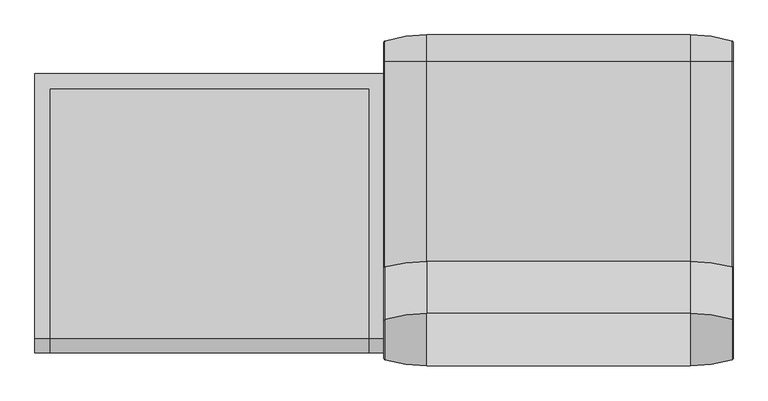
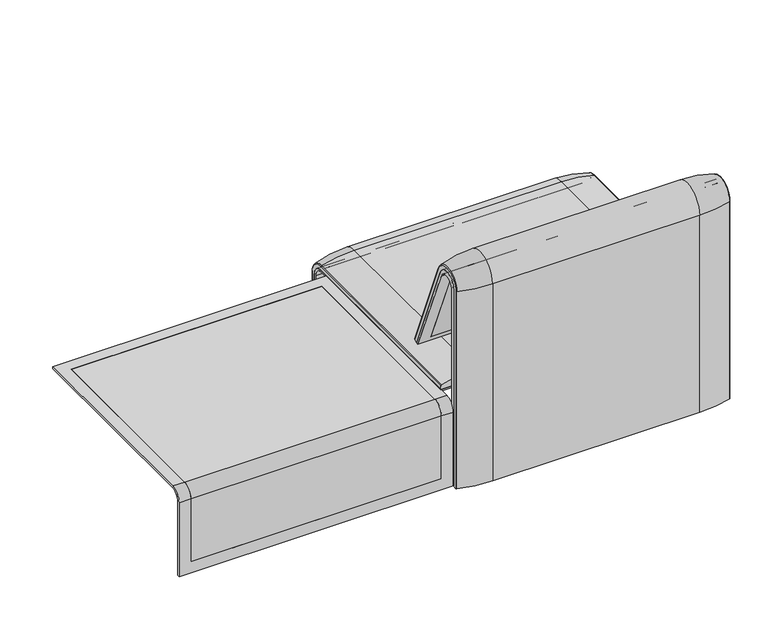
"""IFC4 building model written with IfcOpenShell, lengths in millimetres: furniture geometry."""

from ifc_helpers import new_model, si_unit, point, frame, frame_2d, origin, place, context, project, spatial, polyline, circle_curve, ellipse_curve, trimmed, segment, composite_curve, outline, extrude, source, transform, mapped, element, save
from ifc_brep_helpers import plane_surface, cylinder_surface, revolved_surface, advanced_brep


def furniture_e6ca8739(model_context):
    return source(origin(), model_context, "Body", "SolidModel", [
        advanced_brep(
        [(0.0, -295.0, 359.922434), (815.9812488, -295.0, 359.922434), (815.9812488, -295.0, 366.172434), (0.0, -295.0, 366.172434), (0.0, 357.5, 333.0583003), (34.9, 357.5, 333.0583003), (34.9, 357.5, 135.3766997), (781.0812488, 357.5, 135.3766997), (781.0812488, 357.5, 333.0583003), (815.9812488, 357.5, 333.0583003), (815.9812488, 357.5, 100.5089435), (0.0, 357.5, 100.5089435), (0.0, 323.7517936, 359.922434), (34.9, 323.7517936, 359.922434), (34.9, -260.0, 359.922434), (781.0812488, -260.0, 359.922434), (781.0812488, 323.7517936, 359.922434), (815.9812488, 323.7517936, 359.922434), (781.0812488, 351.0, 135.3766997), (781.0812488, 351.0, 332.6742277), (781.0812488, -260.0, 366.172434), (781.0812488, 324.3858663, 366.172434), (34.9, -260.0, 366.172434), (0.0, 324.3858663, 366.172434), (0.0, 351.0, 100.5089435), (0.0, 351.0, 332.6742277), (815.9812488, 351.0, 332.6742277), (815.9812488, 351.0, 100.5089435), (815.9812488, 324.3858663, 366.172434), (34.9, 324.3858663, 366.172434), (34.9, 351.0, 135.3766997), (34.9, 351.0, 332.6742277)],
        [
            (0, 1),
            (1, 2),
            (2, 3),
            (3, 0),
            (4, 5),
            (5, 6),
            (6, 7),
            (7, 8),
            (8, 9),
            (9, 10),
            (10, 11),
            (11, 4),
            (12, 13),
            (13, 14),
            (14, 15),
            (15, 16),
            (16, 17),
            (17, 1),
            (0, 12),
            (18, 19),
            (19, 16, circle_curve(frame((781.0812488, 323.7517936, 332.6742277), z_axis=(1.0, 0.0, 0.0), x_axis=(0.0, 1.0, 0.0)), 27.2482064)),
            (15, 20),
            (20, 21),
            (21, 8, circle_curve(frame((781.0812488, 324.3858663, 333.0583003), z_axis=(-1.0, 0.0, 0.0), x_axis=(0.0, 1.0, 0.0)), 33.1141337)),
            (7, 18),
            (22, 20),
            (14, 22),
            (3, 23),
            (23, 4, circle_curve(frame((0.0, 324.3858663, 333.0583003), z_axis=(-1.0, 0.0, 0.0), x_axis=(0.0, 1.0, 0.0)), 33.1141337)),
            (11, 24),
            (24, 25),
            (25, 12, circle_curve(frame((0.0, 323.7517936, 332.6742277), z_axis=(1.0, 0.0, 0.0), x_axis=(0.0, 1.0, 0.0)), 27.2482064)),
            (17, 26, circle_curve(frame((815.9812488, 323.7517936, 332.6742277), z_axis=(-1.0, 0.0, 0.0), x_axis=(0.0, 1.0, 0.0)), 27.2482064)),
            (26, 27),
            (27, 10),
            (9, 28, circle_curve(frame((815.9812488, 324.3858663, 333.0583003), z_axis=(1.0, 0.0, 0.0), x_axis=(0.0, 1.0, 0.0)), 33.1141337)),
            (28, 2),
            (28, 21),
            (22, 29),
            (29, 23),
            (29, 5, circle_curve(frame((34.9, 324.3858663, 333.0583003), z_axis=(-1.0, 0.0, 0.0), x_axis=(0.0, 1.0, 0.0)), 33.1141337)),
            (27, 24),
            (26, 19),
            (18, 30),
            (30, 31),
            (31, 25),
            (31, 13, circle_curve(frame((34.9, 323.7517936, 332.6742277), z_axis=(1.0, 0.0, 0.0), x_axis=(0.0, 1.0, 0.0)), 27.2482064)),
            (30, 6),
        ],
        [
            plane_surface(frame((0.0, -295.0, 366.172434), z_axis=(0.0, -1.0, 0.0), x_axis=(1.0, 0.0, 0.0))),
            plane_surface(frame((0.0, 357.5, 100.5089435), z_axis=(0.0, 1.0, 0.0), x_axis=(1.0, 0.0, 0.0))),
            plane_surface(frame((0.0, -295.0, 359.922434), z_axis=(0.0, 0.0, -1.0), x_axis=(1.0, 0.0, 0.0))),
            plane_surface(frame((781.0812488, 296.9265415, 359.922434), z_axis=(-1.0, 0.0, 0.0), x_axis=(0.0, -1.0, 0.0))),
            plane_surface(frame((34.9, -260.0, 366.172434), z_axis=(0.0, 1.0, 0.0), x_axis=(1.0, 0.0, 0.0))),
            plane_surface(frame((0.0, 296.9265415, 359.922434), z_axis=(-1.0, 0.0, 0.0), x_axis=(0.0, 1.0, 0.0))),
            plane_surface(frame((815.9812488, 296.9265415, 359.922434), z_axis=(1.0, 0.0, 0.0), x_axis=(0.0, -1.0, 0.0))),
            plane_surface(frame((0.0, 324.3858663, 366.172434), z_axis=(0.0, 0.0, 1.0), x_axis=(1.0, 0.0, 0.0))),
            cylinder_surface(frame((815.9812488, 324.3858663, 333.0583003), z_axis=(-1.0, 0.0, 0.0), x_axis=(0.0, 1.0, 0.0)), 33.1141337),
            plane_surface(frame((0.0, 351.0, 100.5089435), z_axis=(0.0, 0.0, -1.0), x_axis=(1.0, 0.0, 0.0))),
            plane_surface(frame((0.0, 351.0, 332.6742277), z_axis=(0.0, -1.0, 0.0), x_axis=(1.0, 0.0, 0.0))),
            revolved_surface(polyline([(34.89999999999998, 351.0, 332.6742277), (0.0, 351.0, 332.6742277)]), (815.9812488, 323.7517936, 332.6742277), (1.0, 0.0, 0.0)),
            revolved_surface(polyline([(815.9812488, 351.0, 332.6742277), (781.0812488, 351.0, 332.6742277)]), (815.9812488, 323.7517936, 332.6742277), (1.0, 0.0, 0.0)),
            plane_surface(frame((34.9, 296.9265415, 359.922434), z_axis=(1.0, 0.0, 0.0), x_axis=(0.0, 1.0, 0.0))),
            plane_surface(frame((34.9, 351.0, 135.3766997), z_axis=(0.0, 0.0, 1.0), x_axis=(1.0, 0.0, 0.0))),
        ],
        [
            (0, [[1, 2, 3, 4]]),
            (1, [[5, 6, 7, 8, 9, 10, 11, 12]]),
            (2, [[13, 14, 15, 16, 17, 18, -1, 19]]),
            (3, [[20, 21, -16, 22, 23, 24, -8, 25]]),
            (4, [[26, -22, -15, 27]]),
            (5, [[-4, 28, 29, -12, 30, 31, 32, -19]]),
            (6, [[-18, 33, 34, 35, -10, 36, 37, -2]]),
            (7, [[-3, -37, 38, -23, -26, 39, 40, -28]]),
            (8, [[-40, 41, -5, -29]]),
            (8, [[-9, -24, -38, -36]]),
            (9, [[-11, -35, 42, -30]]),
            (10, [[-42, -34, 43, -20, 44, 45, 46, -31]]),
            (11, [[-46, 47, -13, -32]]),
            (12, [[-17, -21, -43, -33]]),
            (13, [[-14, -47, -45, 48, -6, -41, -39, -27]]),
            (14, [[-44, -25, -7, -48]]),
        ],
    ),
        extrude(outline(composite_curve([segment(polyline([(-260.0, 359.922434), (-260.0, 366.172434), (324.3858663, 366.172434)]), True, "CONTINUOUS"), segment(trimmed(circle_curve(frame_2d((324.3858663, 333.0583003)), 33.1141337), [point((324.3858663, 366.172434))], [point((357.5, 333.0583003))], False, "CARTESIAN"), True, "CONTINUOUS"), segment(polyline([(357.5, 333.0583003), (357.5, 135.3766997), (351.0, 135.3766997), (351.0, 332.6742277)]), True, "CONTINUOUS"), segment(trimmed(circle_curve(frame_2d((323.7517936, 332.6742277)), 27.2482064), [point((351.0, 332.6742277))], [point((323.7517936, 359.922434))], True, "CARTESIAN"), True, "CONTINUOUS"), segment(polyline([(323.7517936, 359.922434), (-260.0, 359.922434)]), True, "CONTINUOUS")], self_intersect=False)), frame((34.9, 0.0, 0.0), z_axis=(1.0, 0.0, 0.0), x_axis=(0.0, 1.0, 0.0)), (0.0, 0.0, 1.0), 746.1812488),
        advanced_brep(
        [(0.0, 368.7793679, 100.5089435), (2.1386285, 371.6530483, 100.5089435), (100.0, 386.0043559, 100.5089435), (715.9812488, 386.0043559, 100.5089435), (813.8426203, 371.6530483, 100.5089435), (815.9812488, 368.7793679, 100.5089435), (815.9812488, 357.5, 100.5089435), (0.0, 357.5, 100.5089435), (0.0, -295.0, 377.4518019), (0.0, -295.0, 366.172434), (815.9812488, -295.0, 366.172434), (815.9812488, -295.0, 377.4518019), (813.8426203, -295.0, 380.3254823), (715.9812488, -295.0, 394.67679), (100.0, -295.0, 394.67679), (2.1386285, -295.0, 380.3254823), (0.0, 357.5, 333.0583003), (0.0, 324.3858663, 366.172434), (0.0, 324.3858663, 377.4518019), (0.0, 368.7793679, 333.0583003), (815.9812488, 357.5, 333.0583003), (100.0, 386.0043559, 333.0583003), (715.9812488, 386.0043559, 333.0583003), (2.1386285, 371.6530483, 333.0583003), (815.9812488, 324.3858663, 366.172434), (100.0, 324.3858663, 394.67679), (715.9812488, 324.3858663, 394.67679), (2.1386285, 324.3858663, 380.3254823), (815.9812488, 368.7793679, 333.0583003), (815.9812488, 324.3858663, 377.4518019), (813.8426203, 371.6530483, 333.0583003), (813.8426203, 324.3858663, 380.3254823)],
        [
            (0, 1, circle_curve(frame((3.0, 368.7793679, 100.5089435), z_axis=(0.0, 0.0, -1.0), x_axis=(1.0, 0.0, 0.0)), 3.0)),
            (1, 2, circle_curve(frame((100.0, 45.1710226, 100.5089435), z_axis=(0.0, 0.0, -1.0), x_axis=(0.0, -1.0, 0.0)), 340.8333333)),
            (2, 3),
            (3, 4, circle_curve(frame((715.9812488, 45.1710226, 100.5089435), z_axis=(0.0, 0.0, -1.0), x_axis=(0.0, -1.0, 0.0)), 340.8333333)),
            (4, 5, circle_curve(frame((812.9812488, 368.7793679, 100.5089435), z_axis=(0.0, 0.0, -1.0), x_axis=(-1.0, 0.0, 0.0)), 3.0)),
            (5, 6),
            (6, 7),
            (7, 0),
            (8, 9),
            (9, 10),
            (10, 11),
            (11, 12, circle_curve(frame((812.9812488, -295.0, 377.4518019), z_axis=(0.0, -1.0, 0.0), x_axis=(-1.0, 0.0, 0.0)), 3.0)),
            (12, 13, circle_curve(frame((715.9812488, -295.0, 53.8434566), z_axis=(0.0, -1.0, 0.0), x_axis=(0.0, 0.0, -1.0)), 340.8333333)),
            (13, 14),
            (14, 15, circle_curve(frame((100.0, -295.0, 53.8434566), z_axis=(0.0, -1.0, 0.0), x_axis=(0.0, 0.0, -1.0)), 340.8333333)),
            (15, 8, circle_curve(frame((3.0, -295.0, 377.4518019), z_axis=(0.0, -1.0, 0.0), x_axis=(1.0, 0.0, 0.0)), 3.0)),
            (7, 16),
            (16, 17, circle_curve(frame((0.0, 324.3858663, 333.0583003), z_axis=(1.0, 0.0, 0.0), x_axis=(0.0, 1.0, 0.0)), 33.1141337)),
            (17, 9),
            (8, 18),
            (18, 19, circle_curve(frame((0.0, 324.3858663, 333.0583003), z_axis=(-1.0, 0.0, 0.0), x_axis=(0.0, 1.0, 0.0)), 44.3935016)),
            (19, 0),
            (6, 20),
            (20, 16),
            (2, 21),
            (21, 22),
            (22, 3),
            (1, 23),
            (23, 21, circle_curve(frame((100.0, 45.1710226, 333.0583003), z_axis=(0.0, 0.0, -1.0), x_axis=(0.0, -1.0, 0.0)), 340.8333333)),
            (19, 23, circle_curve(frame((3.0, 368.7793679, 333.0583003), z_axis=(0.0, 0.0, -1.0), x_axis=(1.0, 0.0, 0.0)), 3.0)),
            (24, 17),
            (20, 24, circle_curve(frame((815.9812488, 324.3858663, 333.0583003), z_axis=(1.0, 0.0, 0.0), x_axis=(0.0, 1.0, 0.0)), 33.1141337)),
            (25, 26),
            (26, 22, circle_curve(frame((715.9812488, 324.3858663, 333.0583003), z_axis=(-1.0, 0.0, 0.0), x_axis=(0.0, 1.0, 0.0)), 61.6184897)),
            (21, 25, circle_curve(frame((100.0, 324.3858663, 333.0583003), z_axis=(1.0, 0.0, 0.0), x_axis=(0.0, 1.0, 0.0)), 61.6184897)),
            (27, 25, circle_curve(frame((100.0, 324.3858663, 53.8434566), z_axis=(0.0, 1.0, 0.0), x_axis=(0.0, 0.0, -1.0)), 340.8333333)),
            (23, 27, circle_curve(frame((2.1386285, 324.3858663, 333.0583003), z_axis=(1.0, 0.0, 0.0), x_axis=(0.0, 1.0, 0.0)), 47.267182)),
            (18, 27, circle_curve(frame((3.0, 324.3858663, 377.4518019), z_axis=(0.0, 1.0, 0.0), x_axis=(1.0, 0.0, 0.0)), 3.0)),
            (24, 10),
            (25, 14),
            (13, 26),
            (27, 15),
            (5, 28),
            (28, 29, circle_curve(frame((815.9812488, 324.3858663, 333.0583003), z_axis=(1.0, 0.0, 0.0), x_axis=(0.0, 1.0, 0.0)), 44.3935016)),
            (29, 11),
            (4, 30),
            (30, 28, circle_curve(frame((812.9812488, 368.7793679, 333.0583003), z_axis=(0.0, 0.0, -1.0), x_axis=(-1.0, 0.0, 0.0)), 3.0)),
            (22, 30, circle_curve(frame((715.9812488, 45.1710226, 333.0583003), z_axis=(0.0, 0.0, -1.0), x_axis=(0.0, -1.0, 0.0)), 340.8333333)),
            (31, 29, circle_curve(frame((812.9812488, 324.3858663, 377.4518019), z_axis=(0.0, 1.0, 0.0), x_axis=(-1.0, 0.0, 0.0)), 3.0)),
            (30, 31, circle_curve(frame((813.8426203, 324.3858663, 333.0583003), z_axis=(1.0, 0.0, 0.0), x_axis=(0.0, 1.0, 0.0)), 47.267182)),
            (26, 31, circle_curve(frame((715.9812488, 324.3858663, 53.8434566), z_axis=(0.0, 1.0, 0.0), x_axis=(0.0, 0.0, -1.0)), 340.8333333)),
            (31, 12),
        ],
        [
            plane_surface(frame((0.0, 357.5, 100.5089435), z_axis=(0.0, 0.0, -1.0), x_axis=(1.0, 0.0, 0.0))),
            plane_surface(frame((0.0, -295.0, 366.172434), z_axis=(0.0, -1.0, 0.0), x_axis=(1.0, 0.0, 0.0))),
            plane_surface(frame((0.0, 368.7793679, 100.5089435), z_axis=(-1.0, 0.0, 0.0), x_axis=(0.0, 0.0, 1.0))),
            plane_surface(frame((0.0, 357.5, 100.5089435), z_axis=(0.0, -1.0, 0.0), x_axis=(0.0, 0.0, 1.0))),
            plane_surface(frame((715.9812488, 386.0043559, 100.5089435), z_axis=(0.0, 1.0, 0.0), x_axis=(0.0, 0.0, 1.0))),
            cylinder_surface(frame((100.0, 45.1710226, 100.5089435), z_axis=(0.0, 0.0, -1.0), x_axis=(0.0, -1.0, 0.0)), 340.8333333),
            cylinder_surface(frame((3.0, 368.7793679, 100.5089435), z_axis=(0.0, 0.0, -1.0), x_axis=(1.0, 0.0, 0.0)), 3.0),
            revolved_surface(polyline([(0.0, 357.5, 333.0583003), (815.9812488, 357.5, 333.0583003)]), (0.0, 324.3858663, 333.0583003), (-1.0, 0.0, 0.0)),
            cylinder_surface(frame((0.0, 324.3858663, 333.0583003), z_axis=(-1.0, 0.0, 0.0), x_axis=(0.0, 1.0, 0.0)), 61.6184897),
            revolved_surface(trimmed(ellipse_curve(frame((100.0, 45.1710226, 333.0583003), z_axis=(0.0, 0.0, 1.0), x_axis=(0.0, -1.0, 0.0)), 340.8333333, 340.8333333), [point((100.0, 386.0043559, 333.0583003))], [point((2.1386285, 371.6530483, 333.0583003))], True, "CARTESIAN"), (0.0, 324.3858663, 333.0583003), (-1.0, 0.0, 0.0)),
            revolved_surface(trimmed(ellipse_curve(frame((3.0, 368.7793679, 333.0583003), z_axis=(0.0, 0.0, 1.0), x_axis=(1.0, 0.0, 0.0)), 3.0, 3.0), [point((2.1386285, 371.6530483, 333.0583003))], [point((0.0, 368.7793679, 333.0583003))], True, "CARTESIAN"), (0.0, 324.3858663, 333.0583003), (-1.0, 0.0, 0.0)),
            plane_surface(frame((0.0, 324.3858663, 366.172434), z_axis=(0.0, 0.0, -1.0), x_axis=(0.0, -1.0, 0.0))),
            plane_surface(frame((715.9812488, 324.3858663, 394.67679), z_axis=(0.0, 0.0, 1.0), x_axis=(0.0, -1.0, 0.0))),
            cylinder_surface(frame((100.0, 324.3858663, 53.8434566), z_axis=(0.0, 1.0, 0.0), x_axis=(0.0, 0.0, -1.0)), 340.8333333),
            cylinder_surface(frame((3.0, 324.3858663, 377.4518019), z_axis=(0.0, 1.0, 0.0), x_axis=(1.0, 0.0, 0.0)), 3.0),
            plane_surface(frame((815.9812488, 357.5, 100.5089435), z_axis=(1.0, 0.0, 0.0), x_axis=(0.0, 0.0, 1.0))),
            cylinder_surface(frame((812.9812488, 368.7793679, 100.5089435), z_axis=(0.0, 0.0, -1.0), x_axis=(-1.0, 0.0, 0.0)), 3.0),
            cylinder_surface(frame((715.9812488, 45.1710226, 100.5089435), z_axis=(0.0, 0.0, -1.0), x_axis=(0.0, -1.0, 0.0)), 340.8333333),
            revolved_surface(trimmed(ellipse_curve(frame((812.9812488, 368.7793679, 333.0583003), z_axis=(0.0, 0.0, 1.0), x_axis=(-1.0, 0.0, 0.0)), 3.0, 3.0), [point((815.9812488, 368.7793679, 333.0583003))], [point((813.8426203, 371.6530483, 333.0583003))], True, "CARTESIAN"), (0.0, 324.3858663, 333.0583003), (-1.0, 0.0, 0.0)),
            revolved_surface(trimmed(ellipse_curve(frame((715.9812488, 45.1710226, 333.0583003), z_axis=(0.0, 0.0, 1.0), x_axis=(0.0, -1.0, 0.0)), 340.8333333, 340.8333333), [point((813.8426203, 371.6530483, 333.0583003))], [point((715.9812488, 386.0043559, 333.0583003))], True, "CARTESIAN"), (0.0, 324.3858663, 333.0583003), (-1.0, 0.0, 0.0)),
            cylinder_surface(frame((812.9812488, 324.3858663, 377.4518019), z_axis=(0.0, 1.0, 0.0), x_axis=(-1.0, 0.0, 0.0)), 3.0),
            cylinder_surface(frame((715.9812488, 324.3858663, 53.8434566), z_axis=(0.0, 1.0, 0.0), x_axis=(0.0, 0.0, -1.0)), 340.8333333),
        ],
        [
            (0, [[1, 2, 3, 4, 5, 6, 7, 8]]),
            (1, [[9, 10, 11, 12, 13, 14, 15, 16]]),
            (2, [[17, 18, 19, -9, 20, 21, 22, -8]]),
            (3, [[23, 24, -17, -7]]),
            (4, [[25, 26, 27, -3]]),
            (5, [[28, 29, -25, -2]]),
            (6, [[-22, 30, -28, -1]]),
            (7, [[31, -18, -24, 32]]),
            (8, [[33, 34, -26, 35]]),
            (9, [[36, -35, -29, 37]]),
            (10, [[38, -37, -30, -21]]),
            (11, [[39, -10, -19, -31]]),
            (12, [[40, -14, 41, -33]]),
            (13, [[42, -15, -40, -36]]),
            (14, [[-20, -16, -42, -38]]),
            (15, [[43, 44, 45, -11, -39, -32, -23, -6]]),
            (16, [[46, 47, -43, -5]]),
            (17, [[-27, 48, -46, -4]]),
            (18, [[49, -44, -47, 50]]),
            (19, [[51, -50, -48, -34]]),
            (20, [[52, -12, -45, -49]]),
            (21, [[-41, -13, -52, -51]]),
        ],
    ),
        advanced_brep(
        [(781.0812488, -176.0980387, 452.25948), (34.9, -176.0980387, 452.25948), (34.9, -181.0136548, 450.2250668), (781.0812488, -181.0136548, 450.2250668), (815.997793, -351.0000061, 101.8476716), (0.0165441, -351.0000061, 101.8476716), (0.0165441, -351.0000061, 712.9272623), (34.9, -351.0000061, 712.9272623), (34.9, -351.0000061, 135.3766997), (781.0812488, -351.0000061, 135.3766997), (781.0812488, -351.0000061, 712.9272623), (815.997793, -351.0000061, 712.9272623), (815.997793, -296.2720241, 723.9759107), (815.997793, -175.0204081, 435.9866665), (815.997793, -170.1966807, 437.98305), (815.997793, -292.4403877, 733.7122262), (815.997793, -359.7858817, 720.3417731), (815.997793, -359.7858817, 101.8476716), (0.0165441, -359.7858817, 101.8476716), (0.0165441, -359.7858817, 720.3417731), (0.0165441, -292.4403877, 733.7122262), (0.0165441, -170.1966807, 437.98305), (0.0165441, -175.0204081, 435.9866665), (0.0165441, -296.2458652, 723.9869215), (34.9, -292.4403877, 733.7122262), (781.0812488, -292.4403877, 733.7122262), (781.0812488, -296.2458652, 723.9869215), (34.9, -296.2458652, 723.9869215), (781.0812488, -359.7858817, 720.3417731), (781.0812488, -359.7858817, 135.3766997), (34.9, -359.7858817, 135.3766997), (34.9, -359.7858817, 720.3417731)],
        [
            (0, 1),
            (1, 2),
            (2, 3),
            (3, 0),
            (4, 5),
            (5, 6),
            (6, 7),
            (7, 8),
            (8, 9),
            (9, 10),
            (10, 11),
            (11, 4),
            (11, 12, circle_curve(frame((815.997793, -322.520748, 712.9272623), z_axis=(-1.0, 0.0, 0.0), x_axis=(0.0, 1.0, 0.0)), 28.479258)),
            (12, 13),
            (13, 14),
            (14, 15),
            (15, 16, circle_curve(frame((815.997793, -324.7858817, 720.3417731), z_axis=(1.0, 0.0, 0.0), x_axis=(0.0, 1.0, 0.0)), 35.0)),
            (16, 17),
            (17, 4),
            (5, 18),
            (18, 19),
            (19, 20, circle_curve(frame((0.0165441, -324.7858817, 720.3417731), z_axis=(-1.0, 0.0, 0.0), x_axis=(0.0, 1.0, 0.0)), 35.0)),
            (20, 21),
            (21, 22),
            (22, 23),
            (23, 6, circle_curve(frame((0.0165441, -322.520748, 712.9272623), z_axis=(1.0, 0.0, 0.0), x_axis=(0.0, 1.0, 0.0)), 28.479258)),
            (14, 21),
            (20, 24),
            (24, 1),
            (0, 25),
            (25, 15),
            (13, 22),
            (12, 26),
            (26, 3),
            (2, 27),
            (27, 23),
            (17, 18),
            (16, 28),
            (28, 29),
            (29, 30),
            (30, 31),
            (31, 19),
            (31, 24, circle_curve(frame((34.9, -324.7858817, 720.3417731), z_axis=(-1.0, 0.0, 0.0), x_axis=(0.0, 1.0, 0.0)), 35.0)),
            (25, 28, circle_curve(frame((781.0812488, -324.7858817, 720.3417731), z_axis=(1.0, 0.0, 0.0), x_axis=(0.0, 1.0, 0.0)), 35.0)),
            (27, 7, circle_curve(frame((34.9, -322.520748, 712.9272623), z_axis=(1.0, 0.0, 0.0), x_axis=(0.0, 1.0, 0.0)), 28.479258)),
            (10, 26, circle_curve(frame((781.0812488, -322.520748, 712.9272623), z_axis=(-1.0, 0.0, 0.0), x_axis=(0.0, 1.0, 0.0)), 28.479258)),
            (9, 29),
            (30, 8),
        ],
        [
            plane_surface(frame((781.0812488, -166.9120641, 456.0612553), z_axis=(0.0, -0.38241039441982605, 0.9239925812687422), x_axis=(-1.0, 0.0, 0.0))),
            plane_surface(frame((815.997793, -351.0000061, 712.9272623), z_axis=(0.0, 1.0, 0.0), x_axis=(-1.0, 0.0, 0.0))),
            plane_surface(frame((815.997793, -359.7858817, 101.8476716), z_axis=(1.0, 0.0, 0.0), x_axis=(0.0, -1.0, 0.0))),
            plane_surface(frame((0.0165441, -359.7858817, 101.8476716), z_axis=(-1.0, 0.0, 0.0), x_axis=(0.0, 1.0, 0.0))),
            plane_surface(frame((815.997793, -292.4403877, 733.7122262), z_axis=(0.0, 0.9241569717933176, 0.3820129467515535), x_axis=(-1.0, 0.0, 0.0))),
            plane_surface(frame((815.997793, -170.1966807, 437.98305), z_axis=(0.0, 0.38241039441983893, -0.9239925812687368), x_axis=(-1.0, 0.0, 0.0))),
            plane_surface(frame((815.997793, -175.0204081, 435.9866665), z_axis=(0.0, -0.921678643444566, -0.3879542218073993), x_axis=(-1.0, 0.0, 0.0))),
            plane_surface(frame((815.997793, -351.0000061, 101.8476716), z_axis=(0.0, 0.0, -1.0), x_axis=(-1.0, 0.0, 0.0))),
            plane_surface(frame((815.997793, -359.7858817, 101.8476716), z_axis=(0.0, -1.0, 0.0), x_axis=(-1.0, 0.0, 0.0))),
            cylinder_surface(frame((0.0165441, -324.7858817, 720.3417731), z_axis=(1.0, 0.0, 0.0), x_axis=(0.0, 1.0, 0.0)), 35.0),
            revolved_surface(polyline([(0.0165441, -294.04149, 712.9272623), (34.9, -294.04149, 712.9272623)]), (0.0165441, -322.520748, 712.9272623), (-1.0, 0.0, 0.0)),
            revolved_surface(polyline([(781.0812488, -294.04149, 712.9272623), (815.997793, -294.04149, 712.9272623)]), (0.0165441, -322.520748, 712.9272623), (-1.0, 0.0, 0.0)),
            plane_surface(frame((781.0812488, -359.7858817, 135.3766997), z_axis=(-1.0, 0.0, 0.0), x_axis=(0.0, -1.0, 0.0))),
            plane_surface(frame((34.9, -359.7858817, 135.3766997), z_axis=(1.0, 0.0, 0.0), x_axis=(0.0, 1.0, 0.0))),
            plane_surface(frame((781.0812488, -344.7858817, 135.3766997), z_axis=(0.0, 0.0, 1.0), x_axis=(-1.0, 0.0, 0.0))),
        ],
        [
            (0, [[1, 2, 3, 4]]),
            (1, [[5, 6, 7, 8, 9, 10, 11, 12]]),
            (2, [[-12, 13, 14, 15, 16, 17, 18, 19]]),
            (3, [[20, 21, 22, 23, 24, 25, 26, -6]]),
            (4, [[27, -23, 28, 29, -1, 30, 31, -16]]),
            (5, [[32, -24, -27, -15]]),
            (6, [[33, 34, -3, 35, 36, -25, -32, -14]]),
            (7, [[37, -20, -5, -19]]),
            (8, [[38, 39, 40, 41, 42, -21, -37, -18]]),
            (9, [[-42, 43, -28, -22]]),
            (9, [[-31, 44, -38, -17]]),
            (10, [[-36, 45, -7, -26]]),
            (11, [[-11, 46, -33, -13]]),
            (12, [[-34, -46, -10, 47, -39, -44, -30, -4]]),
            (13, [[-8, -45, -35, -2, -29, -43, -41, 48]]),
            (14, [[-9, -48, -40, -47]]),
        ],
    ),
        advanced_brep(
        [(34.9, -351.0000061, 135.3766997), (34.9, -359.7858817, 135.3766997), (34.9, -359.7858817, 720.3417731), (34.9, -292.4403877, 733.7122262), (34.9, -176.0980387, 452.25948), (34.9, -181.0136548, 450.2250668), (34.9, -296.2458652, 723.9869215), (34.9, -351.0000061, 712.9272623), (781.0812488, -176.0980387, 452.25948), (781.0812488, -292.4403877, 733.7122262), (781.0812488, -181.0136548, 450.2250668), (781.0812488, -296.2458652, 723.9869215), (781.0812488, -351.0000061, 135.3766997), (781.0812488, -351.0000061, 712.9272623), (781.0812488, -359.7858817, 720.3417731), (781.0812488, -359.7858817, 135.3766997)],
        [
            (0, 1),
            (1, 2),
            (2, 3, circle_curve(frame((34.9, -324.7858817, 720.3417731), z_axis=(-1.0, 0.0, 0.0), x_axis=(0.0, 1.0, 0.0)), 35.0)),
            (3, 4),
            (4, 5),
            (5, 6),
            (6, 7, circle_curve(frame((34.9, -322.520748, 712.9272623), z_axis=(1.0, 0.0, 0.0), x_axis=(0.0, 1.0, 0.0)), 28.479258)),
            (7, 0),
            (8, 4),
            (3, 9),
            (9, 8),
            (10, 5),
            (8, 10),
            (11, 6),
            (10, 11),
            (12, 0),
            (7, 13),
            (13, 12),
            (13, 11, circle_curve(frame((781.0812488, -322.520748, 712.9272623), z_axis=(-1.0, 0.0, 0.0), x_axis=(0.0, 1.0, 0.0)), 28.479258)),
            (9, 14, circle_curve(frame((781.0812488, -324.7858817, 720.3417731), z_axis=(1.0, 0.0, 0.0), x_axis=(0.0, 1.0, 0.0)), 35.0)),
            (14, 15),
            (15, 12),
            (15, 1),
            (14, 2),
        ],
        [
            plane_surface(frame((34.9, -359.7858817, 135.3766997), z_axis=(-1.0, 0.0, 0.0), x_axis=(0.0, 1.0, 0.0))),
            plane_surface(frame((781.0812488, -292.4403877, 733.7122262), z_axis=(0.0, 0.9241569717933176, 0.3820129467515535), x_axis=(-1.0, 0.0, 0.0))),
            plane_surface(frame((781.0812488, -176.0980387, 452.25948), z_axis=(0.0, 0.38241039441982716, -0.9239925812687417), x_axis=(-1.0, 0.0, 0.0))),
            plane_surface(frame((781.0812488, -181.0136548, 450.2250668), z_axis=(0.0, -0.921678643444566, -0.3879542218073993), x_axis=(-1.0, 0.0, 0.0))),
            plane_surface(frame((781.0812488, -351.0000061, 712.9272623), z_axis=(0.0, 1.0, 0.0), x_axis=(-1.0, 0.0, 0.0))),
            plane_surface(frame((781.0812488, -359.7858817, 135.3766997), z_axis=(1.0, 0.0, 0.0), x_axis=(0.0, -1.0, 0.0))),
            plane_surface(frame((781.0812488, -351.0000061, 135.3766997), z_axis=(0.0, 0.0, -1.0), x_axis=(-1.0, 0.0, 0.0))),
            plane_surface(frame((781.0812488, -359.7858817, 135.3766997), z_axis=(0.0, -1.0, 0.0), x_axis=(-1.0, 0.0, 0.0))),
            cylinder_surface(frame((34.9, -324.7858817, 720.3417731), z_axis=(1.0, 0.0, 0.0), x_axis=(0.0, 1.0, 0.0)), 35.0),
            revolved_surface(polyline([(34.9, -294.04149, 712.9272623), (781.0812488, -294.04149, 712.9272623)]), (34.9, -322.520748, 712.9272623), (-1.0, 0.0, 0.0)),
        ],
        [
            (0, [[1, 2, 3, 4, 5, 6, 7, 8]]),
            (1, [[9, -4, 10, 11]]),
            (2, [[12, -5, -9, 13]]),
            (3, [[14, -6, -12, 15]]),
            (4, [[16, -8, 17, 18]]),
            (5, [[-18, 19, -15, -13, -11, 20, 21, 22]]),
            (6, [[23, -1, -16, -22]]),
            (7, [[24, -2, -23, -21]]),
            (8, [[-10, -3, -24, -20]]),
            (9, [[-17, -7, -14, -19]]),
        ],
    ),
        extrude(outline(composite_curve([segment(polyline([(-305.0000061, 349.9223263), (-285.0000061, 349.9223263)]), True, "CONTINUOUS"), segment(trimmed(circle_curve(frame_2d((-285.0000061, 359.9223263)), 10.0), [point((-285.0000061, 349.9223263))], [point((-275.0000061, 359.9223263))], True, "CARTESIAN"), True, "CONTINUOUS"), segment(polyline([(-275.0000061, 359.9223263), (-270.0000061, 359.9223263), (-270.0000061, 299.9223263), (-309.4476, 299.9223263)]), True, "CONTINUOUS"), segment(trimmed(circle_curve(frame_2d((-309.4476, 269.9223263)), 30.0), [point((-309.4476, 299.9223263))], [point((-339.4064861, 271.492405))], True, "CARTESIAN"), True, "CONTINUOUS"), segment(polyline([(-339.4064861, 271.492405), (-343.3075759, 197.0551771), (-351.0000061, 197.0551771), (-351.0000061, 712.9272623)]), True, "CONTINUOUS"), segment(trimmed(circle_curve(frame_2d((-322.520748, 712.9272623)), 28.479258), [point((-351.0000061, 712.9272623))], [point((-296.3054528, 724.0549949))], False, "CARTESIAN"), True, "CONTINUOUS"), segment(polyline([(-296.3054528, 724.0549949), (-213.7507451, 529.5682915), (-222.2725218, 526.5505721), (-238.0355877, 560.3545758)]), True, "CONTINUOUS"), segment(trimmed(circle_curve(frame_2d((-251.6302045, 554.0153019)), 15.0), [point((-238.0355877, 560.3545758))], [point((-257.4911714, 567.8228747))], True, "CARTESIAN"), True, "CONTINUOUS"), segment(polyline([(-257.4911714, 567.8228747), (-316.7219399, 542.6809051)]), True, "CONTINUOUS"), segment(trimmed(circle_curve(frame_2d((-305.0000061, 515.0657595)), 30.0), [point((-316.7219399, 542.6809051))], [point((-335.0000061, 515.0657595))], True, "CARTESIAN"), True, "CONTINUOUS"), segment(polyline([(-335.0000061, 515.0657595), (-335.0000061, 379.9223263)]), True, "CONTINUOUS"), segment(trimmed(circle_curve(frame_2d((-305.0000061, 379.9223263)), 30.0), [point((-335.0000061, 379.9223263))], [point((-305.0000061, 349.9223263))], True, "CARTESIAN"), True, "CONTINUOUS")], self_intersect=False), holes=[composite_curve([segment(trimmed(circle_curve(frame_2d((-319.9867182, 576.3274105)), 17.5132879), [point((-337.5000061, 576.3274105))], [point((-314.1406626, 559.8186587))], True, "CARTESIAN"), True, "CONTINUOUS"), segment(polyline([(-314.1406626, 559.8186587), (-265.0756376, 577.1934953)]), True, "CONTINUOUS"), segment(trimmed(circle_curve(frame_2d((-271.7517748, 596.0463251)), 20.0), [point((-265.0756376, 577.1934953))], [point((-253.6256191, 604.4986904))], True, "CARTESIAN"), True, "CONTINUOUS"), segment(polyline([(-253.6256191, 604.4986904), (-308.9053893, 723.0465402)]), True, "CONTINUOUS"), segment(trimmed(circle_curve(frame_2d((-322.5000061, 716.7072663)), 15.0), [point((-308.9053893, 723.0465402))], [point((-337.5000061, 716.7072663))], True, "CARTESIAN"), True, "CONTINUOUS"), segment(polyline([(-337.5000061, 716.7072663), (-337.5000061, 576.3274105)]), True, "CONTINUOUS")], self_intersect=False)]), frame((652.9854212, 0.0, 0.0), z_axis=(1.0, 0.0, 0.0), x_axis=(0.0, 1.0, 0.0)), (0.0, 0.0, 1.0), 40.0),
        advanced_brep(
        [(813.8591645, -373.93893, 100.5089435), (813.8591645, -373.93893, 720.3417731), (715.997793, -388.2902376, 720.3417731), (715.997793, -388.2902376, 100.5089435), (-0.0165441, -292.4403877, 733.7122262), (815.997793, -292.4403877, 733.7122262), (815.997793, -359.7858817, 720.3417731), (-0.0165441, -359.7858817, 720.3417731), (99.9834559, -388.2902376, 100.5089435), (99.9834559, -388.2902376, 720.3417731), (2.1220844, -373.93893, 720.3417731), (2.1220844, -373.93893, 100.5089435), (2.1220844, -279.3607494, 739.1188739), (2.1220844, -157.1166065, 443.3886429), (-0.0165441, -159.7723383, 442.2908598), (-0.0165441, -282.0164812, 738.0210907), (99.9834559, -266.0978884, 744.6012592), (99.9834559, -143.8537454, 448.8710282), (-0.0165441, -371.0652495, 100.5089435), (-0.0165441, -359.7858817, 100.5089435), (815.997793, -359.7858817, 100.5089435), (815.997793, -371.0652495, 100.5089435), (815.997793, -371.0652495, 720.3417731), (815.997793, -170.1962447, 437.9819952), (815.997793, -159.7723383, 442.2908598), (815.997793, -282.0164812, 738.0210907), (715.997793, -143.8537454, 448.8710282), (813.8591645, -157.1166065, 443.3886429), (-0.0165441, -170.1962447, 437.9819952), (715.997793, -266.0978884, 744.6012592), (813.8591645, -279.3607494, 739.1188739), (-0.0165441, -371.0652495, 720.3417731)],
        [
            (0, 1),
            (1, 2, circle_curve(frame((715.997793, -47.4569043, 720.3417731), z_axis=(0.0, 0.0, -1.0), x_axis=(0.0, 1.0, 0.0)), 340.8333333)),
            (2, 3),
            (3, 0, circle_curve(frame((715.997793, -47.4569043, 100.5089435), z_axis=(0.0, 0.0, 1.0), x_axis=(0.0, 1.0, 0.0)), 340.8333333)),
            (4, 5),
            (5, 6, circle_curve(frame((815.997793, -324.7858817, 720.3417731), z_axis=(1.0, 0.0, 0.0), x_axis=(0.0, -1.0, 0.0)), 35.0)),
            (6, 7),
            (7, 4, circle_curve(frame((-0.0165441, -324.7858817, 720.3417731), z_axis=(-1.0, 0.0, 0.0), x_axis=(0.0, -1.0, 0.0)), 35.0)),
            (8, 9),
            (9, 10, circle_curve(frame((99.9834559, -47.4569043, 720.3417731), z_axis=(0.0, 0.0, -1.0), x_axis=(0.0, 1.0, 0.0)), 340.8333333)),
            (10, 11),
            (11, 8, circle_curve(frame((99.9834559, -47.4569043, 100.5089435), z_axis=(0.0, 0.0, 1.0), x_axis=(0.0, 1.0, 0.0)), 340.8333333)),
            (12, 13),
            (13, 14, circle_curve(frame((2.9834559, -159.7723383, 442.2908598), z_axis=(0.0, -0.38201294675155345, 0.9241569717933176), x_axis=(-1.0, 0.0, 0.0)), 3.0)),
            (14, 15),
            (15, 12, circle_curve(frame((2.9834559, -282.0164812, 738.0210907), z_axis=(0.0, 0.38201294675155345, -0.9241569717933176), x_axis=(-1.0, 0.0, 0.0)), 3.0)),
            (16, 17),
            (17, 13, circle_curve(frame((99.9834559, -458.8372467, 318.6682822), z_axis=(0.0, -0.38201294675155345, 0.9241569717933176), x_axis=(0.0, -0.9241569717933176, -0.38201294675155345)), 340.8333333)),
            (12, 16, circle_curve(frame((99.9834559, -581.0813896, 614.3985132), z_axis=(0.0, 0.38201294675155345, -0.9241569717933176), x_axis=(0.0, -0.9241569717933176, -0.38201294675155345)), 340.8333333)),
            (3, 8),
            (11, 18, circle_curve(frame((2.9834559, -371.0652495, 100.5089435), z_axis=(0.0, 0.0, -1.0), x_axis=(-1.0, 0.0, 0.0)), 3.0)),
            (18, 19),
            (19, 20),
            (20, 21),
            (21, 0, circle_curve(frame((812.997793, -371.0652495, 100.5089435), z_axis=(0.0, 0.0, -1.0), x_axis=(1.0, 0.0, 0.0)), 3.0)),
            (2, 9),
            (21, 22),
            (22, 1, circle_curve(frame((812.997793, -371.0652495, 720.3417731), z_axis=(0.0, 0.0, -1.0), x_axis=(1.0, 0.0, 0.0)), 3.0)),
            (20, 6),
            (5, 23),
            (23, 24),
            (24, 25),
            (25, 22, circle_curve(frame((815.997793, -324.7858817, 720.3417731), z_axis=(1.0, 0.0, 0.0), x_axis=(0.0, -1.0, 0.0)), 46.2793679)),
            (19, 7),
            (26, 27, circle_curve(frame((715.997793, -458.8372467, 318.6682822), z_axis=(0.0, 0.38201294675155345, -0.9241569717933176), x_axis=(0.0, -0.9241569717933176, -0.38201294675155345)), 340.8333333)),
            (27, 24, circle_curve(frame((812.997793, -159.7723383, 442.2908598), z_axis=(0.0, 0.38201294675155345, -0.9241569717933176), x_axis=(1.0, 0.0, 0.0)), 3.0)),
            (23, 28),
            (28, 14),
            (17, 26),
            (29, 16),
            (16, 9, circle_curve(frame((99.9834559, -324.7858817, 720.3417731), z_axis=(1.0, 0.0, 0.0), x_axis=(0.0, -1.0, 0.0)), 63.5043559)),
            (2, 29, circle_curve(frame((715.997793, -324.7858817, 720.3417731), z_axis=(-1.0, 0.0, 0.0), x_axis=(0.0, -1.0, 0.0)), 63.5043559)),
            (30, 29, circle_curve(frame((715.997793, -581.0813896, 614.3985132), z_axis=(0.0, -0.3820129467515544, 0.9241569717933172), x_axis=(0.0, -0.9241569717933172, -0.3820129467515544)), 340.8333333)),
            (1, 30, circle_curve(frame((813.8591645, -324.7858817, 720.3417731), z_axis=(-1.0, 0.0, 0.0), x_axis=(0.0, -1.0, 0.0)), 49.1530483)),
            (25, 30, circle_curve(frame((812.997793, -282.0164812, 738.0210907), z_axis=(0.0, -0.38201294675155356, 0.9241569717933176), x_axis=(1.0, 0.0, 0.0)), 3.0)),
            (29, 26),
            (30, 27),
            (4, 28),
            (18, 31),
            (31, 15, circle_curve(frame((-0.0165441, -324.7858817, 720.3417731), z_axis=(-1.0, 0.0, 0.0), x_axis=(0.0, -1.0, 0.0)), 46.2793679)),
            (10, 31, circle_curve(frame((2.9834559, -371.0652495, 720.3417731), z_axis=(0.0, 0.0, -1.0), x_axis=(-1.0, 0.0, 0.0)), 3.0)),
            (10, 12, circle_curve(frame((2.1220844, -324.7858817, 720.3417731), z_axis=(-1.0, 0.0, 0.0), x_axis=(0.0, -1.0, 0.0)), 49.1530483)),
        ],
        [
            cylinder_surface(frame((715.997793, -47.4569043, 100.5089435), z_axis=(0.0, 0.0, -1.0), x_axis=(0.0, 1.0, 0.0)), 340.8333333),
            revolved_surface(polyline([(815.997793, -359.7858817, 720.3417731), (-0.01654409999997597, -359.7858817, 720.3417731)]), (412.7556477, -324.7858817, 720.3417731), (1.0, 0.0, 0.0)),
            cylinder_surface(frame((99.9834559, -47.4569043, 100.5089435), z_axis=(0.0, 0.0, -1.0), x_axis=(0.0, 1.0, 0.0)), 340.8333333),
            cylinder_surface(frame((2.9834559, -282.0164812, 738.0210907), z_axis=(0.0, -0.38201294675155345, 0.9241569717933176), x_axis=(-1.0, 0.0, 0.0)), 3.0),
            cylinder_surface(frame((99.9834559, -581.0813896, 614.3985132), z_axis=(0.0, -0.38201294675155345, 0.9241569717933176), x_axis=(0.0, -0.9241569717933176, -0.38201294675155345)), 340.8333333),
            plane_surface(frame((412.7556477, -359.7858817, 100.5089435), z_axis=(0.0, 0.0, -1.0), x_axis=(1.0, 0.0, 0.0))),
            plane_surface(frame((99.9834559, -388.2902376, 100.5089435), z_axis=(0.0, -1.0, 0.0), x_axis=(0.0, 0.0, 1.0))),
            cylinder_surface(frame((812.997793, -371.0652495, 100.5089435), z_axis=(0.0, 0.0, -1.0), x_axis=(1.0, 0.0, 0.0)), 3.0),
            plane_surface(frame((815.997793, -371.0652495, 100.5089435), z_axis=(1.0, 0.0, 0.0), x_axis=(0.0, 0.0, 1.0))),
            plane_surface(frame((815.997793, -359.7858817, 100.5089435), z_axis=(0.0, 1.0, 0.0), x_axis=(0.0, 0.0, 1.0))),
            plane_surface(frame((412.7556477, -170.1962447, 437.9819952), z_axis=(0.0, 0.38201294675155345, -0.9241569717933176), x_axis=(1.0, 0.0, 0.0))),
            cylinder_surface(frame((412.7556477, -324.7858817, 720.3417731), z_axis=(1.0, 0.0, 0.0), x_axis=(0.0, -1.0, 0.0)), 63.5043559),
            revolved_surface(trimmed(ellipse_curve(frame((715.997793, -47.4569043, 720.3417731), z_axis=(0.0, 0.0, 1.0), x_axis=(0.0, 1.0, 0.0)), 340.8333333, 340.8333333), [point((715.997793, -388.2902376, 720.3417731))], [point((813.8591645, -373.93893, 720.3417731))], True, "CARTESIAN"), (412.7556477, -324.7858817, 720.3417731), (1.0, 0.0, 0.0)),
            revolved_surface(trimmed(ellipse_curve(frame((812.997793, -371.0652495, 720.3417731), z_axis=(0.0, 0.0, 1.0), x_axis=(1.0, 0.0, 0.0)), 3.0, 3.0), [point((813.8591645, -373.93893, 720.3417731))], [point((815.997793, -371.0652495, 720.3417731))], True, "CARTESIAN"), (412.7556477, -324.7858817, 720.3417731), (1.0, 0.0, 0.0)),
            plane_surface(frame((99.9834559, -266.0978884, 744.6012592), z_axis=(0.0, 0.9241569717933176, 0.38201294675155356), x_axis=(0.0, 0.38201294675155356, -0.9241569717933176))),
            cylinder_surface(frame((715.997793, -581.0813896, 614.3985132), z_axis=(0.0, -0.38201294675155345, 0.9241569717933176), x_axis=(0.0, -0.9241569717933176, -0.38201294675155345)), 340.8333333),
            cylinder_surface(frame((812.997793, -282.0164812, 738.0210907), z_axis=(0.0, -0.38201294675155345, 0.9241569717933176), x_axis=(1.0, 0.0, 0.0)), 3.0),
            plane_surface(frame((815.997793, -292.4403877, 733.7122262), z_axis=(0.0, -0.9241569717933176, -0.38201294675155356), x_axis=(0.0, 0.38201294675155356, -0.9241569717933176))),
            plane_surface(frame((-0.0165441, -359.7858817, 100.5089435), z_axis=(-1.0, 0.0, 0.0), x_axis=(0.0, 0.0, 1.0))),
            cylinder_surface(frame((2.9834559, -371.0652495, 100.5089435), z_axis=(0.0, 0.0, -1.0), x_axis=(-1.0, 0.0, 0.0)), 3.0),
            revolved_surface(trimmed(ellipse_curve(frame((2.9834559, -371.0652495, 720.3417731), z_axis=(0.0, 0.0, 1.0), x_axis=(-1.0, 0.0, 0.0)), 3.0, 3.0), [point((-0.0165441, -371.0652495, 720.3417731))], [point((2.1220844, -373.93893, 720.3417731))], True, "CARTESIAN"), (412.7556477, -324.7858817, 720.3417731), (1.0, 0.0, 0.0)),
            revolved_surface(trimmed(ellipse_curve(frame((99.9834559, -47.4569043, 720.3417731), z_axis=(0.0, 0.0, 1.0), x_axis=(0.0, 1.0, 0.0)), 340.8333333, 340.8333333), [point((2.1220844, -373.93893, 720.3417731))], [point((99.9834559, -388.2902376, 720.3417731))], True, "CARTESIAN"), (412.7556477, -324.7858817, 720.3417731), (1.0, 0.0, 0.0)),
        ],
        [
            (0, [[1, 2, 3, 4]]),
            (1, [[5, 6, 7, 8]]),
            (2, [[9, 10, 11, 12]]),
            (3, [[13, 14, 15, 16]]),
            (4, [[17, 18, -13, 19]]),
            (5, [[20, -12, 21, 22, 23, 24, 25, -4]]),
            (6, [[-3, 26, -9, -20]]),
            (7, [[27, 28, -1, -25]]),
            (8, [[29, -6, 30, 31, 32, 33, -27, -24]]),
            (9, [[34, -7, -29, -23]]),
            (10, [[35, 36, -31, 37, 38, -14, -18, 39]]),
            (11, [[40, 41, -26, 42]]),
            (12, [[43, -42, -2, 44]]),
            (13, [[45, -44, -28, -33]]),
            (14, [[46, -39, -17, -40]]),
            (15, [[47, -35, -46, -43]]),
            (16, [[-32, -36, -47, -45]]),
            (17, [[48, -37, -30, -5]]),
            (18, [[49, 50, -15, -38, -48, -8, -34, -22]]),
            (19, [[-11, 51, -49, -21]]),
            (20, [[-16, -50, -51, 52]]),
            (21, [[-19, -52, -10, -41]]),
        ],
    ),
        extrude(outline(composite_curve([segment(polyline([(-305.0000061, 349.9223263), (-285.0000061, 349.9223263)]), True, "CONTINUOUS"), segment(trimmed(circle_curve(frame_2d((-285.0000061, 359.9223263)), 10.0), [point((-285.0000061, 349.9223263))], [point((-275.0000061, 359.9223263))], True, "CARTESIAN"), True, "CONTINUOUS"), segment(polyline([(-275.0000061, 359.9223263), (-270.0000061, 359.9223263), (-270.0000061, 299.9223263), (-309.4476, 299.9223263)]), True, "CONTINUOUS"), segment(trimmed(circle_curve(frame_2d((-309.4476, 269.9223263)), 30.0), [point((-309.4476, 299.9223263))], [point((-339.4064861, 271.492405))], True, "CARTESIAN"), True, "CONTINUOUS"), segment(polyline([(-339.4064861, 271.492405), (-343.3075759, 197.0551771), (-351.0000061, 197.0551771), (-351.0000061, 712.9272623)]), True, "CONTINUOUS"), segment(trimmed(circle_curve(frame_2d((-322.520748, 712.9272623)), 28.479258), [point((-351.0000061, 712.9272623))], [point((-296.3054528, 724.0549949))], False, "CARTESIAN"), True, "CONTINUOUS"), segment(polyline([(-296.3054528, 724.0549949), (-213.7507451, 529.5682915), (-222.2725218, 526.5505721), (-238.0355877, 560.3545758)]), True, "CONTINUOUS"), segment(trimmed(circle_curve(frame_2d((-251.6302045, 554.0153019)), 15.0), [point((-238.0355877, 560.3545758))], [point((-257.4911714, 567.8228747))], True, "CARTESIAN"), True, "CONTINUOUS"), segment(polyline([(-257.4911714, 567.8228747), (-316.7219399, 542.6809051)]), True, "CONTINUOUS"), segment(trimmed(circle_curve(frame_2d((-305.0000061, 515.0657595)), 30.0), [point((-316.7219399, 542.6809051))], [point((-335.0000061, 515.0657595))], True, "CARTESIAN"), True, "CONTINUOUS"), segment(polyline([(-335.0000061, 515.0657595), (-335.0000061, 379.9223263)]), True, "CONTINUOUS"), segment(trimmed(circle_curve(frame_2d((-305.0000061, 379.9223263)), 30.0), [point((-335.0000061, 379.9223263))], [point((-305.0000061, 349.9223263))], True, "CARTESIAN"), True, "CONTINUOUS")], self_intersect=False), holes=[composite_curve([segment(trimmed(circle_curve(frame_2d((-319.9867182, 576.3274105)), 17.5132879), [point((-337.5000061, 576.3274105))], [point((-314.1406626, 559.8186587))], True, "CARTESIAN"), True, "CONTINUOUS"), segment(polyline([(-314.1406626, 559.8186587), (-265.0756376, 577.1934953)]), True, "CONTINUOUS"), segment(trimmed(circle_curve(frame_2d((-271.7517748, 596.0463251)), 20.0), [point((-265.0756376, 577.1934953))], [point((-253.6256191, 604.4986904))], True, "CARTESIAN"), True, "CONTINUOUS"), segment(polyline([(-253.6256191, 604.4986904), (-308.9053893, 723.0465402)]), True, "CONTINUOUS"), segment(trimmed(circle_curve(frame_2d((-322.5000061, 716.7072663)), 15.0), [point((-308.9053893, 723.0465402))], [point((-337.5000061, 716.7072663))], True, "CARTESIAN"), True, "CONTINUOUS"), segment(polyline([(-337.5000061, 716.7072663), (-337.5000061, 576.3274105)]), True, "CONTINUOUS")], self_intersect=False)]), frame((122.9958276, 0.0, 0.0), z_axis=(1.0, 0.0, 0.0), x_axis=(0.0, 1.0, 0.0)), (0.0, 0.0, 1.0), 40.0),
        advanced_brep(
        [(-815.9812488, 295.0, 359.922434), (-815.9812488, -323.7517936, 359.922434), (-815.9812488, -351.0, 332.6742277), (-815.9812488, -351.0, 100.5089435), (-815.9812488, -357.5, 100.5089435), (-815.9812488, -357.5, 333.0583003), (-815.9812488, -324.3858663, 366.172434), (-815.9812488, 295.0, 366.172434), (0.0, 295.0, 359.922434), (0.0, 295.0, 366.172434), (0.0, -324.3858663, 366.172434), (0.0, -357.5, 333.0583003), (0.0, -357.5, 100.5089435), (0.0, -351.0, 100.5089435), (0.0, -351.0, 332.6742277), (0.0, -323.7517936, 359.922434), (-781.0812488, -324.3858663, 366.172434), (-781.0812488, 260.0, 366.172434), (-34.9, 260.0, 366.172434), (-34.9, -324.3858663, 366.172434), (-781.0812488, -357.5, 333.0583003), (-34.9, -357.5, 333.0583003), (-34.9, -357.5, 135.3766997), (-781.0812488, -357.5, 135.3766997), (-781.0812488, -351.0, 332.6742277), (-781.0812488, -351.0, 135.3766997), (-34.9, -351.0, 135.3766997), (-34.9, -351.0, 332.6742277), (-781.0812488, -323.7517936, 359.922434), (-34.9, -323.7517936, 359.922434), (-34.9, 260.0, 359.922434), (-781.0812488, 260.0, 359.922434)],
        [
            (0, 1),
            (1, 2, circle_curve(frame((-815.9812488, -323.7517936, 332.6742277), z_axis=(1.0, 0.0, 0.0), x_axis=(0.0, -1.0, 0.0)), 27.2482064)),
            (2, 3),
            (3, 4),
            (4, 5),
            (5, 6, circle_curve(frame((-815.9812488, -324.3858663, 333.0583003), z_axis=(-1.0, 0.0, 0.0), x_axis=(0.0, -1.0, 0.0)), 33.1141337)),
            (6, 7),
            (7, 0),
            (8, 9),
            (9, 10),
            (10, 11, circle_curve(frame((0.0, -324.3858663, 333.0583003), z_axis=(1.0, 0.0, 0.0), x_axis=(0.0, -1.0, 0.0)), 33.1141337)),
            (11, 12),
            (12, 13),
            (13, 14),
            (14, 15, circle_curve(frame((0.0, -323.7517936, 332.6742277), z_axis=(-1.0, 0.0, 0.0), x_axis=(0.0, -1.0, 0.0)), 27.2482064)),
            (15, 8),
            (7, 9),
            (8, 0),
            (6, 16),
            (16, 17),
            (17, 18),
            (18, 19),
            (19, 10),
            (5, 20),
            (20, 16, circle_curve(frame((-781.0812488, -324.3858663, 333.0583003), z_axis=(-1.0, 0.0, 0.0), x_axis=(0.0, -1.0, 0.0)), 33.1141337)),
            (19, 21, circle_curve(frame((-34.9, -324.3858663, 333.0583003), z_axis=(1.0, 0.0, 0.0), x_axis=(0.0, -1.0, 0.0)), 33.1141337)),
            (21, 11),
            (4, 12),
            (21, 22),
            (22, 23),
            (23, 20),
            (3, 13),
            (2, 24),
            (24, 25),
            (25, 26),
            (26, 27),
            (27, 14),
            (1, 28),
            (28, 24, circle_curve(frame((-781.0812488, -323.7517936, 332.6742277), z_axis=(1.0, 0.0, 0.0), x_axis=(0.0, -1.0, 0.0)), 27.2482064)),
            (27, 29, circle_curve(frame((-34.9, -323.7517936, 332.6742277), z_axis=(-1.0, 0.0, 0.0), x_axis=(0.0, -1.0, 0.0)), 27.2482064)),
            (29, 15),
            (29, 30),
            (30, 31),
            (31, 28),
            (31, 17),
            (23, 25),
            (26, 22),
            (18, 30),
        ],
        [
            plane_surface(frame((-815.9812488, -296.9265415, 359.922434), z_axis=(-1.0, 0.0, 0.0), x_axis=(0.0, -1.0, 0.0))),
            plane_surface(frame((0.0, -296.9265415, 359.922434), z_axis=(1.0, 0.0, 0.0), x_axis=(0.0, 1.0, 0.0))),
            plane_surface(frame((-815.9812488, 295.0, 366.172434), z_axis=(0.0, 1.0, 0.0), x_axis=(1.0, 0.0, 0.0))),
            plane_surface(frame((-815.9812488, -324.3858663, 366.172434), z_axis=(0.0, 0.0, 1.0), x_axis=(1.0, 0.0, 0.0))),
            cylinder_surface(frame((0.0, -324.3858663, 333.0583003), z_axis=(-1.0, 0.0, 0.0), x_axis=(0.0, -1.0, 0.0)), 33.1141337),
            plane_surface(frame((-815.9812488, -357.5, 100.5089435), z_axis=(0.0, -1.0, 0.0), x_axis=(1.0, 0.0, 0.0))),
            plane_surface(frame((-815.9812488, -351.0, 100.5089435), z_axis=(0.0, 0.0, -1.0), x_axis=(1.0, 0.0, 0.0))),
            plane_surface(frame((-815.9812488, -351.0, 332.6742277), z_axis=(0.0, 1.0, 0.0), x_axis=(1.0, 0.0, 0.0))),
            revolved_surface(polyline([(-781.0812488, -351.0, 332.6742277), (-815.9812488, -351.0, 332.6742277)]), (0.0, -323.7517936, 332.6742277), (1.0, 0.0, 0.0)),
            revolved_surface(polyline([(0.0, -351.0, 332.6742277), (-34.9, -351.0, 332.6742277)]), (0.0, -323.7517936, 332.6742277), (1.0, 0.0, 0.0)),
            plane_surface(frame((-815.9812488, 295.0, 359.922434), z_axis=(0.0, 0.0, -1.0), x_axis=(1.0, 0.0, 0.0))),
            plane_surface(frame((-781.0812488, -296.9265415, 359.922434), z_axis=(1.0, 0.0, 0.0), x_axis=(0.0, -1.0, 0.0))),
            plane_surface(frame((-34.9, -296.9265415, 359.922434), z_axis=(-1.0, 0.0, 0.0), x_axis=(0.0, 1.0, 0.0))),
            plane_surface(frame((-781.0812488, 260.0, 366.172434), z_axis=(0.0, -1.0, 0.0), x_axis=(1.0, 0.0, 0.0))),
            plane_surface(frame((-781.0812488, -351.0, 135.3766997), z_axis=(0.0, 0.0, 1.0), x_axis=(1.0, 0.0, 0.0))),
        ],
        [
            (0, [[1, 2, 3, 4, 5, 6, 7, 8]]),
            (1, [[9, 10, 11, 12, 13, 14, 15, 16]]),
            (2, [[-8, 17, -9, 18]]),
            (3, [[-7, 19, 20, 21, 22, 23, -10, -17]]),
            (4, [[-6, 24, 25, -19]]),
            (4, [[-11, -23, 26, 27]]),
            (5, [[-5, 28, -12, -27, 29, 30, 31, -24]]),
            (6, [[-4, 32, -13, -28]]),
            (7, [[-3, 33, 34, 35, 36, 37, -14, -32]]),
            (8, [[-2, 38, 39, -33]]),
            (9, [[-15, -37, 40, 41]]),
            (10, [[-1, -18, -16, -41, 42, 43, 44, -38]]),
            (11, [[45, -20, -25, -31, 46, -34, -39, -44]]),
            (12, [[47, -29, -26, -22, 48, -42, -40, -36]]),
            (13, [[-45, -43, -48, -21]]),
            (14, [[-46, -30, -47, -35]]),
        ],
    ),
        extrude(outline(composite_curve([segment(polyline([(260.0, 359.922434), (-323.7517936, 359.922434)]), True, "CONTINUOUS"), segment(trimmed(circle_curve(frame_2d((-323.7517936, 332.6742277)), 27.2482064), [point((-323.7517936, 359.922434))], [point((-351.0, 332.6742277))], True, "CARTESIAN"), True, "CONTINUOUS"), segment(polyline([(-351.0, 332.6742277), (-351.0, 135.3766997), (-357.5, 135.3766997), (-357.5, 333.0583003)]), True, "CONTINUOUS"), segment(trimmed(circle_curve(frame_2d((-324.3858663, 333.0583003)), 33.1141337), [point((-357.5, 333.0583003))], [point((-324.3858663, 366.172434))], False, "CARTESIAN"), True, "CONTINUOUS"), segment(polyline([(-324.3858663, 366.172434), (260.0, 366.172434), (260.0, 359.922434)]), True, "CONTINUOUS")], self_intersect=False)), frame((-781.0812488, 0.0, 0.0), z_axis=(1.0, 0.0, 0.0), x_axis=(0.0, 1.0, 0.0)), (0.0, 0.0, 1.0), 746.1812488),
    ])


if __name__ == "__main__":
    model = new_model("IFC4")
    model_context = context("Model", 3, world=origin())
    ifc_project = project(units=[si_unit("LENGTHUNIT", "METRE", prefix="MILLI")], contexts=[model_context])
    site = spatial("IfcSite", under=ifc_project)
    building = spatial("IfcBuilding", under=site)
    placement = place(None, origin())
    furniture_shape = furniture_e6ca8739(model_context)
    element("IfcFurniture", 1, at=placement, inside=building, context=model_context, shape_type="MappedRepresentation", body=[
        mapped(furniture_shape, transform((0.0, 0.0, 0.0), x_axis=(1.0, 0.0, 0.0), y_axis=(0.0, 1.0, 0.0), z_axis=(0.0, 0.0, 1.0))),
    ])
    save(model, "model.ifc")
